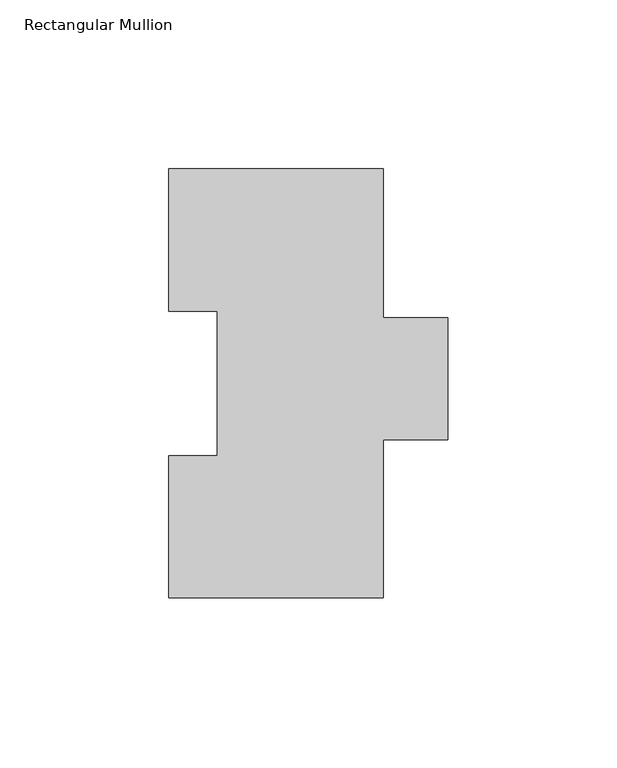
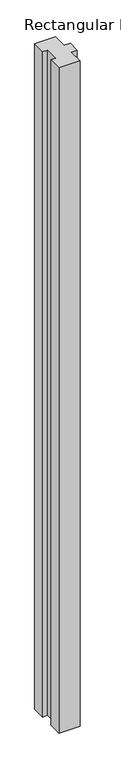
"""IFC4 building model written with IfcOpenShell, lengths in millimetres: member geometry, Rectangular Mullion."""

import ifcopenshell
import ifcopenshell.guid

model = None  # the IFC model being written
_history = None  # IfcOwnerHistory: only IFC2X3 demands one
_inside = {}  # id of a spatial element -> (the spatial element, [elements in it])
_under = {}  # id of a project, library or spatial element -> (it, [spatial elements below it])
_declared = {}  # id of a project -> (the project, [libraries it declares])
_typed = {}  # id of a type object -> (the type object, [elements of that type])
_made_of = {}  # id of a material, layer set ... -> (it, [elements and type objects made of it])


def new_model(schema):
    """Start an empty IFC model of exactly this schema.

    Asked for "IFC4X3", IfcOpenShell would pick the latest addendum, in which some entities
    have other attributes; the version numbers below select the first issue.
    IFC2X3 requires an IfcOwnerHistory on every rooted entity: one is made here for all.
    """
    global model, _history
    if schema == "IFC4X3":
        model = ifcopenshell.file(schema_version=(4, 3, 0, 0))
    else:
        model = ifcopenshell.file(schema=schema)
    _inside.clear()
    _under.clear()
    _declared.clear()
    _typed.clear()
    _made_of.clear()
    _history = None
    if model.schema == "IFC2X3":
        org = make("IfcOrganization", Name="unknown")
        user = make(
            "IfcPersonAndOrganization",
            ThePerson=make("IfcPerson", FamilyName="unknown"),
            TheOrganization=org,
        )
        app = make(
            "IfcApplication",
            ApplicationDeveloper=org,
            Version="unknown",
            ApplicationFullName="unknown",
            ApplicationIdentifier="unknown",
        )
        _history = make(
            "IfcOwnerHistory",
            OwningUser=user,
            OwningApplication=app,
            ChangeAction="ADDED",
            CreationDate=0,
        )
    return model


def make(cls, **values):
    """One entity of the class cls with the attributes given. An attribute that is None is left unset."""
    return model.create_entity(
        cls, **{name: value for name, value in values.items() if value is not None}
    )


def rooted(cls, **values):
    """An entity with a GlobalId (a new one), such as an element, a storey or a relation."""
    return make(cls, GlobalId=ifcopenshell.guid.new(), OwnerHistory=_history, **values)


def si_unit(unit_type, name, prefix=None):
    """IfcSIUnit, for example si_unit("LENGTHUNIT", "METRE", prefix="MILLI")."""
    return make("IfcSIUnit", UnitType=unit_type, Prefix=prefix, Name=name)


def assignment(units):
    """IfcUnitAssignment: the units of a project."""
    return None if units is None else make("IfcUnitAssignment", Units=units)


def point(xyz):
    """IfcCartesianPoint."""
    return None if xyz is None else make("IfcCartesianPoint", Coordinates=xyz)


def direction(xyz):
    """IfcDirection."""
    return None if xyz is None else make("IfcDirection", DirectionRatios=xyz)


def frame(location, z_axis=None, x_axis=None):
    """IfcAxis2Placement3D, a coordinate frame: its origin and axes. An axis left out is left unset."""
    return make(
        "IfcAxis2Placement3D",
        Location=point(location),
        Axis=direction(z_axis),
        RefDirection=direction(x_axis),
    )


def origin():
    """The frame at (0, 0, 0) with its axes left unset."""
    return frame((0.0, 0.0, 0.0))


def place(relative_to, where):
    """IfcLocalPlacement: puts the frame where relative to a parent placement (None: the world)."""
    return make(
        "IfcLocalPlacement", PlacementRelTo=relative_to, RelativePlacement=where
    )


def context(
    kind, dimensions, precision=None, world=None, true_north=None, identifier=None
):
    """IfcGeometricRepresentationContext, for example the 3D "Model" context."""
    return make(
        "IfcGeometricRepresentationContext",
        ContextIdentifier=identifier,
        ContextType=kind,
        CoordinateSpaceDimension=dimensions,
        Precision=precision,
        WorldCoordinateSystem=world,
        TrueNorth=true_north,
    )


def project(units=None, contexts=None):
    """IfcProject with its units and contexts."""
    return rooted(
        "IfcProject",
        Name="project",
        RepresentationContexts=contexts,
        UnitsInContext=assignment(units),
    )


def spatial(cls, under=None, at=None, **own):
    """A site, building, storey or space (cls), placed at a placement, below another one or the project."""
    s = rooted(cls, ObjectPlacement=at, **own)
    if under is not None:
        _under.setdefault(under.id(), (under, []))[1].append(s)
    return s


def polyline(points):
    """IfcPolyline through the points."""
    return make("IfcPolyline", Points=[point(p) for p in points])


def outline(outer, holes=None, kind="AREA"):
    """IfcArbitraryClosedProfileDef: a profile drawn as a closed curve; with holes, ...WithVoids."""
    if holes is None:
        return make("IfcArbitraryClosedProfileDef", ProfileType=kind, OuterCurve=outer)
    return make(
        "IfcArbitraryProfileDefWithVoids",
        ProfileType=kind,
        OuterCurve=outer,
        InnerCurves=holes,
    )


def extrude(swept, where, along, depth):
    """IfcExtrudedAreaSolid: the profile swept, set in the frame where, extruded along a direction by depth."""
    return make(
        "IfcExtrudedAreaSolid",
        SweptArea=swept,
        Position=where,
        ExtrudedDirection=direction(along),
        Depth=depth,
    )


def shape(context_of_items, identifier, shape_type, items):
    """IfcShapeRepresentation: the items that make up one representation, for example the "Body"."""
    return make(
        "IfcShapeRepresentation",
        ContextOfItems=context_of_items,
        RepresentationIdentifier=identifier,
        RepresentationType=shape_type,
        Items=items,
    )


def source(mapping_origin, context_of_items, identifier, shape_type, items):
    """IfcRepresentationMap: a shape defined once, which mapped items show again and again."""
    return make(
        "IfcRepresentationMap",
        MappingOrigin=mapping_origin,
        MappedRepresentation=shape(context_of_items, identifier, shape_type, items),
    )


def transform(
    local_origin,
    x_axis=None,
    y_axis=None,
    z_axis=None,
    scale=None,
    scale2=None,
    scale3=None,
    uniform=True,
):
    """IfcCartesianTransformationOperator3D, or its non-uniform kind. x_axis, y_axis, z_axis: its Axis1, 2, 3."""
    if uniform:
        return make(
            "IfcCartesianTransformationOperator3D",
            Axis1=direction(x_axis),
            Axis2=direction(y_axis),
            LocalOrigin=point(local_origin),
            Scale=scale,
            Axis3=direction(z_axis),
        )
    return make(
        "IfcCartesianTransformationOperator3DnonUniform",
        Axis1=direction(x_axis),
        Axis2=direction(y_axis),
        LocalOrigin=point(local_origin),
        Scale=scale,
        Axis3=direction(z_axis),
        Scale2=scale2,
        Scale3=scale3,
    )


def mapped(mapping_source, mapping_target):
    """IfcMappedItem: shows the shape of a source again, moved by a transform."""
    return make(
        "IfcMappedItem", MappingSource=mapping_source, MappingTarget=mapping_target
    )


def made_of(thing, what):
    """Note that an element or type object is made of a material, layer set ...; save() writes the relation."""
    if what is not None:
        _made_of.setdefault(what.id(), (what, []))[1].append(thing)
    return thing


def element(
    cls,
    number,
    at=None,
    inside=None,
    cuts=None,
    type_object=None,
    material=None,
    context=None,
    identifier="Body",
    shape_type=None,
    held_by="IfcProductDefinitionShape",
    body=None,
    shapes=None,
    **own,
):
    """One element of the class cls, such as IfcWall. Its Tag is "e" and its number.

    at: its placement. inside: the storey or other place that contains it. cuts: it is an
    opening in that element (IfcRelVoidsElement). A single representation is given by context,
    identifier, shape_type and body (its items); several are given by shapes. held_by: the class
    of the entity that holds the representations. save() writes the other relations.
    """
    e = rooted(cls, Tag="e%d" % number, ObjectPlacement=at, **own)
    if body is not None:
        shapes = [shape(context, identifier, shape_type, body)]
    if shapes is not None:
        e.Representation = make(held_by, Representations=shapes)
    if inside is not None:
        _inside.setdefault(inside.id(), (inside, []))[1].append(e)
    if cuts is not None:
        rooted(
            "IfcRelVoidsElement", RelatingBuildingElement=cuts, RelatedOpeningElement=e
        )
    if type_object is not None:
        _typed.setdefault(type_object.id(), (type_object, []))[1].append(e)
    return made_of(e, material)


def aggregate(whole, parts):
    """IfcRelAggregates: a whole, such as a stair, and the parts it consists of."""
    return rooted("IfcRelAggregates", RelatingObject=whole, RelatedObjects=parts)


def save(model, path):
    """Write the relations noted so far, then the file.

    IfcRelAggregates (storeys below a building ...), IfcRelContainedInSpatialStructure (elements
    in a storey), IfcRelDefinesByType, IfcRelAssociatesMaterial and IfcRelDeclares: one each for
    every whole, place, type object, material and project.
    """
    for whole, parts in _under.values():
        aggregate(whole, parts)
    for where, things in _inside.values():
        rooted(
            "IfcRelContainedInSpatialStructure",
            RelatedElements=things,
            RelatingStructure=where,
        )
    for kind, things in _typed.values():
        rooted("IfcRelDefinesByType", RelatedObjects=things, RelatingType=kind)
    for what, things in _made_of.values():
        rooted("IfcRelAssociatesMaterial", RelatedObjects=things, RelatingMaterial=what)
    for by, libraries in _declared.values():
        rooted("IfcRelDeclares", RelatingContext=by, RelatedDefinitions=libraries)
    model.write(path)


def rectangular_mullion_fc41b596(model_context):
    return source(origin(), model_context, "Body", "SweptSolid", [
        extrude(outline(polyline([(31.7497287, 127.00635), (31.7497287, 82.9313681), (50.8, 82.9313681), (50.8, 46.8376), (31.7497287, 46.8376), (31.7497287, 0.00635), (-31.75, 0.00635), (-31.75, 42.08145), (-17.4625, 42.08145), (-17.4625, 84.93125), (-31.7505426, 84.93125), (-31.7505426, 127.00635), (31.7497287, 127.00635)])), frame((0.0, 0.0, -2133.6), z_axis=(0.0, 0.0, 1.0), x_axis=(1.0, 0.0, 0.0)), (0.0, 0.0, 1.0), 2133.6),
    ])


if __name__ == "__main__":
    model = new_model("IFC4")
    model_context = context("Model", 3, world=origin())
    ifc_project = project(units=[si_unit("LENGTHUNIT", "METRE", prefix="MILLI")], contexts=[model_context])
    site = spatial("IfcSite", under=ifc_project)
    building = spatial("IfcBuilding", under=site)
    placement = place(None, origin())
    rectangular_mullion_shape = rectangular_mullion_fc41b596(model_context)
    element("IfcMember", 1, ObjectType="Rectangular Mullion", at=placement, inside=building, context=model_context, shape_type="MappedRepresentation", body=[
        mapped(rectangular_mullion_shape, transform((0.0, 0.0, 0.0), x_axis=(1.0, 0.0, 0.0), y_axis=(0.0, 1.0, 0.0), z_axis=(0.0, 0.0, 1.0))),
    ])
    save(model, "model.ifc")
